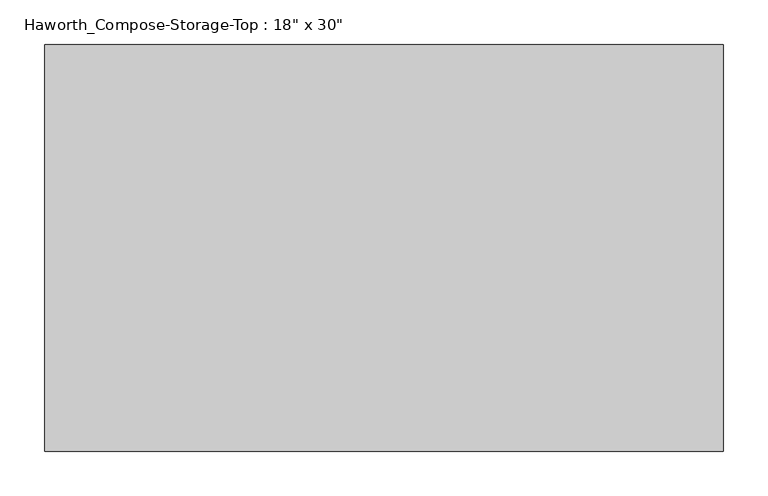
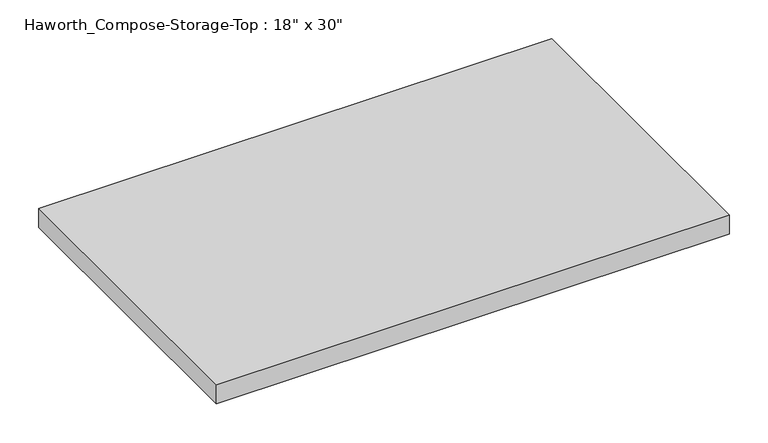
"""IFC4 building model written with IfcOpenShell, lengths in millimetres: furniture geometry."""

from ifc_helpers import new_model, si_unit, frame, origin, place, context, project, spatial, polyline, outline, extrude, source, transform, mapped, element, save


def furniture_4191792d(model_context):
    return source(origin(), model_context, "Body", "SweptSolid", [
        extrude(outline(polyline([(381.0, 228.6), (381.0, -228.6), (-381.0, -228.6), (-381.0, 228.6), (381.0, 228.6)])), frame((0.0, 0.0, 706.4375), z_axis=(0.0, 0.0, 1.0), x_axis=(1.0, 0.0, 0.0)), (0.0, 0.0, 1.0), 30.1625),
    ])


if __name__ == "__main__":
    model = new_model("IFC4")
    model_context = context("Model", 3, world=origin())
    ifc_project = project(units=[si_unit("LENGTHUNIT", "METRE", prefix="MILLI")], contexts=[model_context])
    site = spatial("IfcSite", under=ifc_project)
    building = spatial("IfcBuilding", under=site)
    placement = place(None, origin())
    furniture_shape = furniture_4191792d(model_context)
    element("IfcFurniture", 1, ObjectType="Haworth_Compose-Storage-Top : 18\" x 30\"", at=placement, inside=building, context=model_context, shape_type="MappedRepresentation", body=[
        mapped(furniture_shape, transform((0.0, 0.0, 0.0), x_axis=(1.0, 0.0, 0.0), y_axis=(0.0, 1.0, 0.0), z_axis=(0.0, 0.0, 1.0))),
    ])
    save(model, "model.ifc")
